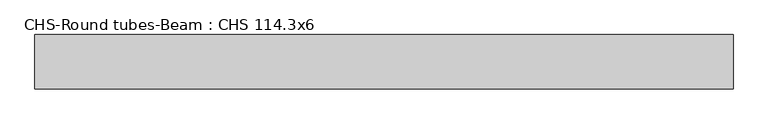
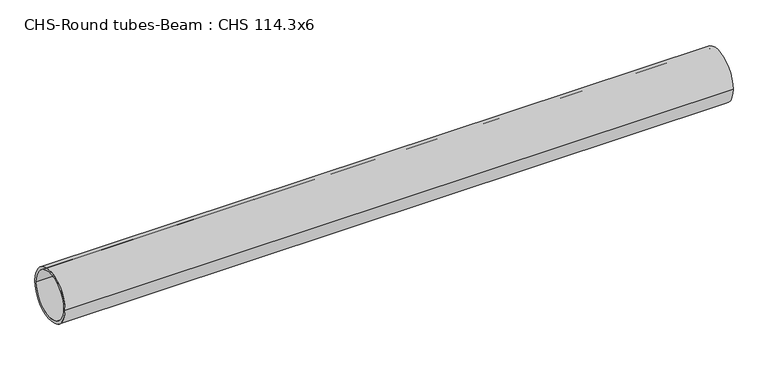
"""IFC4 building model written with IfcOpenShell, lengths in millimetres: beam geometry, CHS-Round tubes-Beam : CHS 114.3x6."""

from ifc_helpers import new_model, si_unit, point, frame, origin, origin_2d, place, context, project, spatial, circle_curve, trimmed, segment, composite_curve, outline, extrude, source, transform, mapped, element, save


def chs_round_tubes_beam_chs_114_3x6_44c13bcb(model_context):
    return source(origin(), model_context, "Body", "SweptSolid", [
        extrude(outline(composite_curve([segment(trimmed(circle_curve(origin_2d(), 57.15), [point((57.15, 0.0))], [point((-57.15, 0.0))], False, "CARTESIAN"), True, "CONTINUOUS"), segment(trimmed(circle_curve(origin_2d(), 57.15), [point((-57.15, 0.0))], [point((57.15, 0.0))], False, "CARTESIAN"), True, "CONTINUOUS")], self_intersect=False), holes=[composite_curve([segment(trimmed(circle_curve(origin_2d(), 51.15), [point((51.15, 0.0))], [point((-51.15, 0.0))], True, "CARTESIAN"), True, "CONTINUOUS"), segment(trimmed(circle_curve(origin_2d(), 51.15), [point((-51.15, 0.0))], [point((51.15, 0.0))], True, "CARTESIAN"), True, "CONTINUOUS")], self_intersect=False)]), frame((-774.1866339, 0.0, 0.0), z_axis=(1.0, 0.0, 0.0), x_axis=(0.0, 1.0, 0.0)), (0.0, 0.0, 1.0), 1465.9127125),
    ])


if __name__ == "__main__":
    model = new_model("IFC4")
    model_context = context("Model", 3, world=origin())
    ifc_project = project(units=[si_unit("LENGTHUNIT", "METRE", prefix="MILLI")], contexts=[model_context])
    site = spatial("IfcSite", under=ifc_project)
    building = spatial("IfcBuilding", under=site)
    placement = place(None, origin())
    chs_round_tubes_beam_chs_114_3x6_shape = chs_round_tubes_beam_chs_114_3x6_44c13bcb(model_context)
    element("IfcBeam", 1, ObjectType="CHS-Round tubes-Beam : CHS 114.3x6", at=placement, inside=building, context=model_context, shape_type="MappedRepresentation", body=[
        mapped(chs_round_tubes_beam_chs_114_3x6_shape, transform((0.0, 0.0, 0.0), x_axis=(1.0, 0.0, 0.0), y_axis=(0.0, 1.0, 0.0), z_axis=(0.0, 0.0, 1.0))),
    ])
    save(model, "model.ifc")
